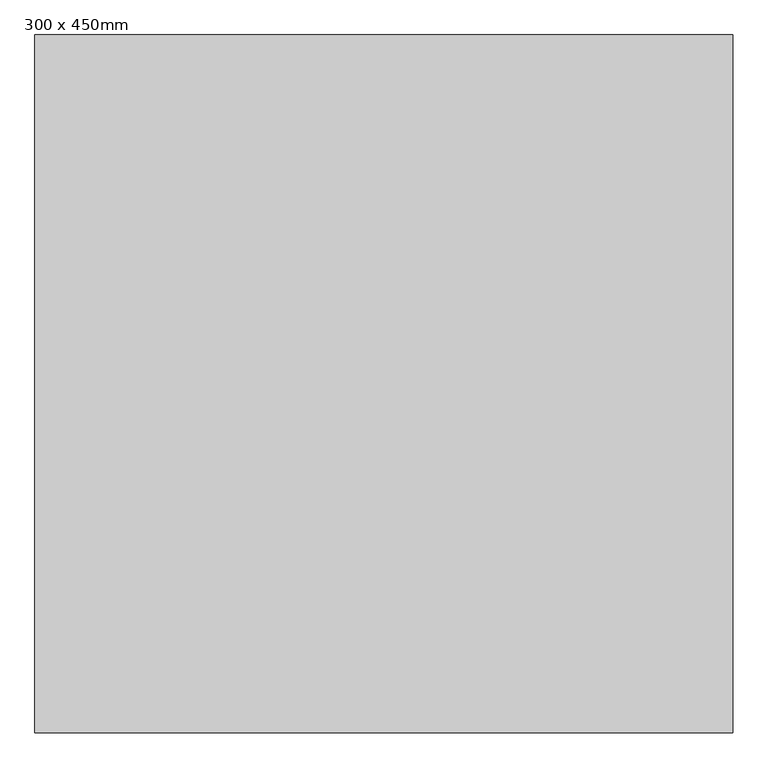
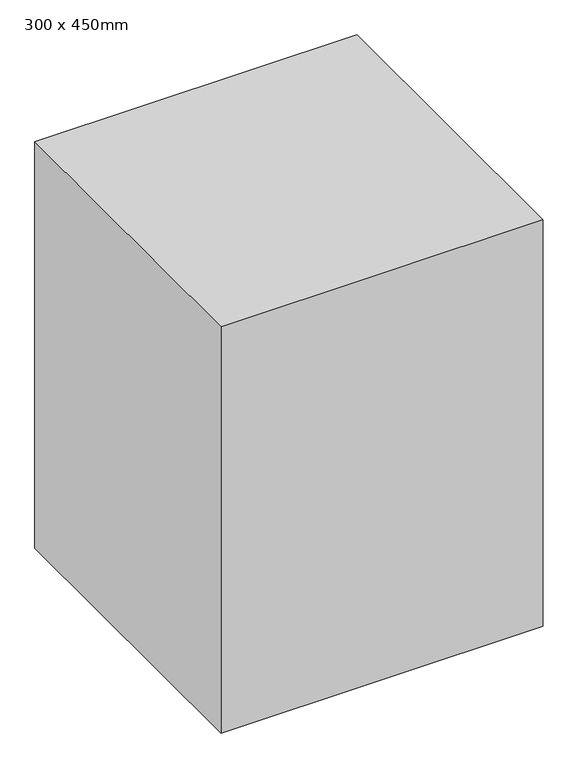
"""IFC4 building model written with IfcOpenShell, lengths in millimetres: column geometry, 300 x 450mm."""

from ifc_helpers import new_model, si_unit, origin, origin_with_axes, place, context, project, spatial, polyline, outline, extrude, source, transform, mapped, element, save


def column_300_x_450mm_4a49c4ac(model_context):
    return source(origin(), model_context, "Body", "SweptSolid", [
        extrude(outline(polyline([(1500.0, 1500.0), (1500.0, -1500.0), (-1500.0, -1500.0), (-1500.0, 1500.0), (1500.0, 1500.0)])), origin_with_axes(), (0.0, 0.0, 1.0), 4000.0),
    ])


if __name__ == "__main__":
    model = new_model("IFC4")
    model_context = context("Model", 3, world=origin())
    ifc_project = project(units=[si_unit("LENGTHUNIT", "METRE", prefix="MILLI")], contexts=[model_context])
    site = spatial("IfcSite", under=ifc_project)
    building = spatial("IfcBuilding", under=site)
    placement = place(None, origin())
    column_300_x_450mm_shape = column_300_x_450mm_4a49c4ac(model_context)
    element("IfcColumn", 1, ObjectType="300 x 450mm", at=placement, inside=building, context=model_context, shape_type="MappedRepresentation", body=[
        mapped(column_300_x_450mm_shape, transform((0.0, 0.0, 0.0), x_axis=(1.0, 0.0, 0.0), y_axis=(0.0, 1.0, 0.0), z_axis=(0.0, 0.0, 1.0))),
    ])
    save(model, "model.ifc")
